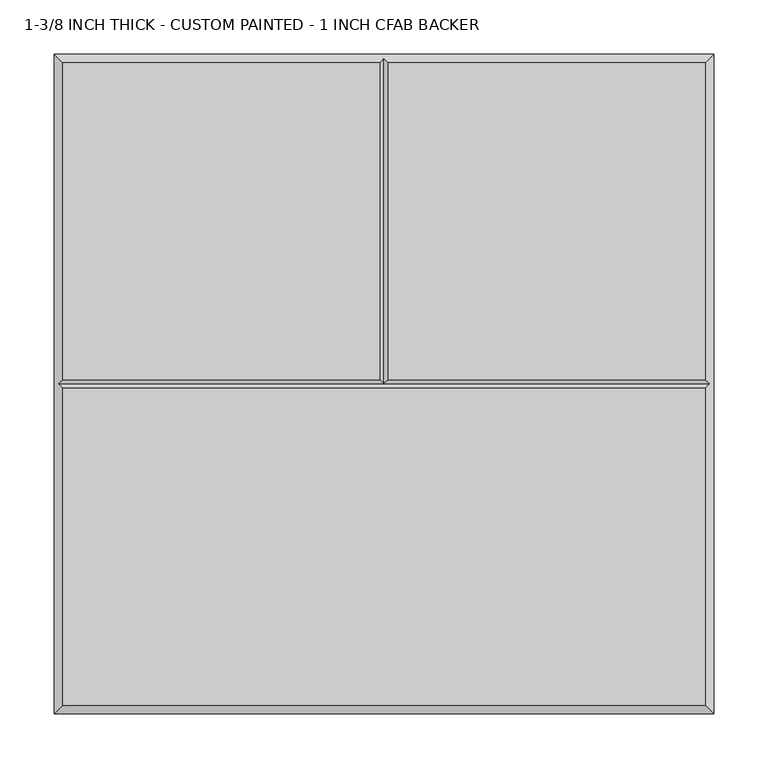
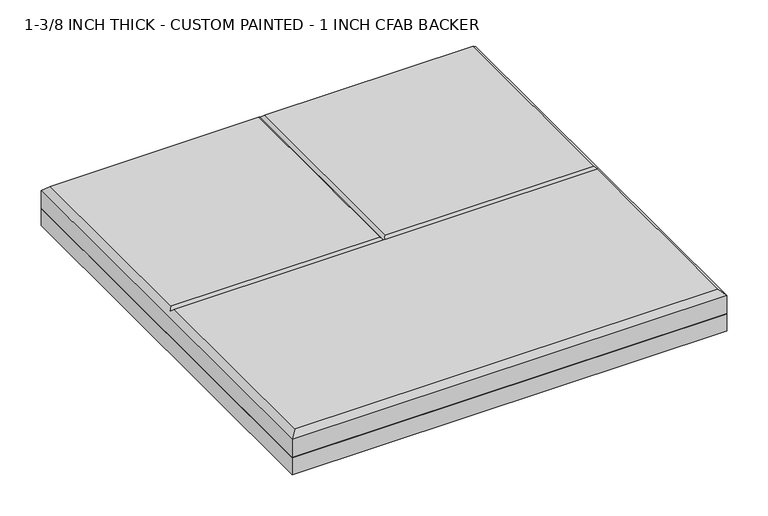
"""IFC4 building model written with IfcOpenShell, lengths in millimetres: proxy geometry, 1-3/8 INCH THICK - CUSTOM PAINTED - 1 INCH CFAB BACKER."""

from ifc_helpers import new_model, si_unit, frame, origin, place, context, project, spatial, polyline, outline, extrude, faceted_brep, source, transform, mapped, element, save


def proxy_1_3_8_inch_thick_custom_painted_1_inch_cfab_backer_4329a98f(model_context):
    return source(origin(), model_context, "Body", "SolidModel", [
        extrude(outline(polyline([(-304.8, 304.8), (304.8, 304.8), (304.8, -304.8), (-304.8, -304.8), (-304.8, 304.8)])), frame((0.0, 0.0, -25.4), z_axis=(0.0, 0.0, 1.0), x_axis=(1.0, 0.0, 0.0)), (0.0, 0.0, 1.0), 25.4),
        faceted_brep([(-296.799, -296.799, 34.925), (296.799, -296.799, 34.925), (296.799, -4.0005127, 34.925), (-296.799, -4.0005127, 34.925), (-296.799, 296.799, 34.925), (-296.799, 4.0004873, 34.925), (-4.0005, 4.0004873, 34.925), (-4.0005, 296.799, 34.925), (296.799, 4.0004873, 34.925), (296.799, 296.799, 34.925), (4.0005, 296.799, 34.925), (4.0005, 4.0004873, 34.925), (-304.8, 304.8, 0.0), (304.8, 304.8, 0.0), (304.8, -304.8, 0.0), (-304.8, -304.8, 0.0), (-304.8, -304.8, 26.924), (-304.8, 304.8, 26.924), (304.8, -304.8, 26.924), (304.8, 304.8, 26.924), (0.0, 300.7995, 30.9245), (-300.7995, -1.27e-05, 30.9245), (300.7995, -1.27e-05, 30.9245), (0.0, -1.27e-05, 30.9245)], [[[0, 1, 2, 3]], [[4, 5, 6, 7]], [[8, 9, 10, 11]], [[12, 13, 14, 15]], [[12, 15, 16, 17]], [[15, 14, 18, 16]], [[14, 13, 19, 18]], [[13, 12, 17, 19]], [[17, 4, 7, 20, 10, 9, 19]], [[4, 17, 16, 0, 3, 21, 5]], [[0, 16, 18, 1]], [[19, 9, 8, 22, 2, 1, 18]], [[5, 21, 23, 6]], [[22, 8, 11, 23]], [[3, 2, 22, 23, 21]], [[20, 23, 11, 10]], [[23, 20, 7, 6]]]),
    ])


if __name__ == "__main__":
    model = new_model("IFC4")
    model_context = context("Model", 3, world=origin())
    ifc_project = project(units=[si_unit("LENGTHUNIT", "METRE", prefix="MILLI")], contexts=[model_context])
    site = spatial("IfcSite", under=ifc_project)
    building = spatial("IfcBuilding", under=site)
    placement = place(None, origin())
    proxy_1_3_8_inch_thick_custom_painted_1_inch_cfab_backer_shape = proxy_1_3_8_inch_thick_custom_painted_1_inch_cfab_backer_4329a98f(model_context)
    element("IfcBuildingElementProxy", 1, Name="1-3/8 INCH THICK - CUSTOM PAINTED - 1 INCH CFAB BACKER", ObjectType="1-3/8 INCH THICK - CUSTOM PAINTED - 1 INCH CFAB BACKER", at=placement, inside=building, context=model_context, shape_type="MappedRepresentation", body=[
        mapped(proxy_1_3_8_inch_thick_custom_painted_1_inch_cfab_backer_shape, transform((0.0, 0.0, 0.0), x_axis=(1.0, 0.0, 0.0), y_axis=(0.0, 1.0, 0.0), z_axis=(0.0, 0.0, 1.0))),
    ])
    save(model, "model.ifc")
